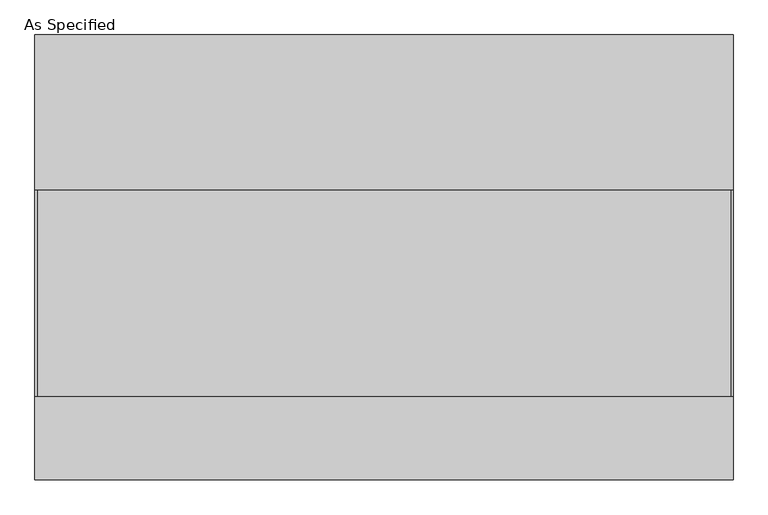
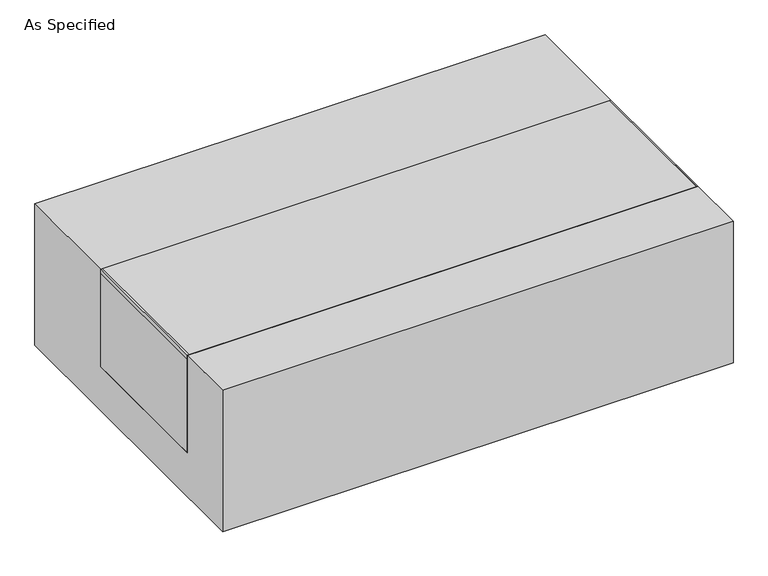
"""IFC4 building model written with IfcOpenShell, lengths in millimetres: proxy geometry, As Specified."""

from ifc_helpers import new_model, si_unit, point, frame, frame_2d, origin, place, context, project, spatial, polyline, circle_curve, trimmed, segment, composite_curve, outline, extrude, source, transform, mapped, element, save


def as_specified_7c836f02(model_context):
    return source(origin(), model_context, "Body", "SweptSolid", [
        extrude(outline(composite_curve([segment(trimmed(circle_curve(frame_2d((542.0125, -499.275)), 10.5), [point((542.0125, -509.775))], [point((542.0125, -488.775))], False, "CARTESIAN"), True, "CONTINUOUS"), segment(trimmed(circle_curve(frame_2d((542.0125, -499.275)), 10.5), [point((542.0125, -488.775))], [point((542.0125, -509.775))], False, "CARTESIAN"), True, "CONTINUOUS")], self_intersect=False)), frame((0.0, 0.0, -562.225), z_axis=(0.0, 0.0, 1.0), x_axis=(1.0, 0.0, 0.0)), (0.0, 0.0, 1.0), 32.0),
        extrude(outline(polyline([(-856.45625, -342.9), (-862.0125, -342.9), (-862.0125, 165.1), (-856.45625, 165.1), (-856.45625, -342.9)])), frame((0.0, 0.0, -39.6875), z_axis=(0.0, 0.0, 1.0), x_axis=(1.0, 0.0, 0.0)), (0.0, 0.0, 1.0), 14.2875),
        extrude(outline(polyline([(858.04375, 165.1), (862.0125, 165.1), (862.0125, -342.9), (858.04375, -342.9), (858.04375, 165.1)])), frame((0.0, 0.0, -39.6875), z_axis=(0.0, 0.0, 1.0), x_axis=(1.0, 0.0, 0.0)), (0.0, 0.0, 1.0), 14.2875),
        extrude(outline(polyline([(862.0125, 165.1), (862.0125, -342.9), (-862.0125, -342.9), (-862.0125, 165.1), (862.0125, 165.1)])), frame((0.0, 0.0, -373.0625), z_axis=(0.0, 0.0, 1.0), x_axis=(1.0, 0.0, 0.0)), (0.0, 0.0, 1.0), 347.6625),
        extrude(outline(polyline([(549.275, -25.4), (549.275, -530.225), (-549.275, -530.225), (-549.275, -25.4), (-342.9, -25.4), (-342.9, -373.0625), (165.1, -373.0625), (165.1, -25.4), (549.275, -25.4)])), frame((-862.0125, 0.0, 0.0), z_axis=(1.0, 0.0, 0.0), x_axis=(0.0, 1.0, 0.0)), (0.0, 0.0, 1.0), 1724.025),
    ])


if __name__ == "__main__":
    model = new_model("IFC4")
    model_context = context("Model", 3, world=origin())
    ifc_project = project(units=[si_unit("LENGTHUNIT", "METRE", prefix="MILLI")], contexts=[model_context])
    site = spatial("IfcSite", under=ifc_project)
    building = spatial("IfcBuilding", under=site)
    placement = place(None, origin())
    as_specified_shape = as_specified_7c836f02(model_context)
    element("IfcBuildingElementProxy", 1, Name="As Specified", ObjectType="As Specified", at=placement, inside=building, context=model_context, shape_type="MappedRepresentation", body=[
        mapped(as_specified_shape, transform((0.0, 0.0, 0.0), x_axis=(1.0, 0.0, 0.0), y_axis=(0.0, 1.0, 0.0), z_axis=(0.0, 0.0, 1.0))),
    ])
    save(model, "model.ifc")
